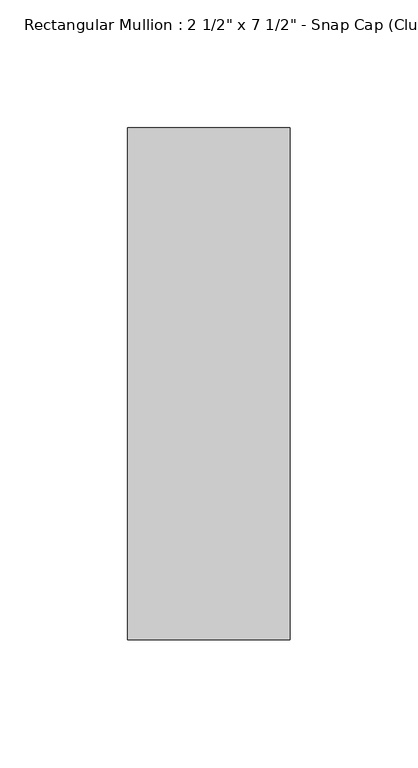
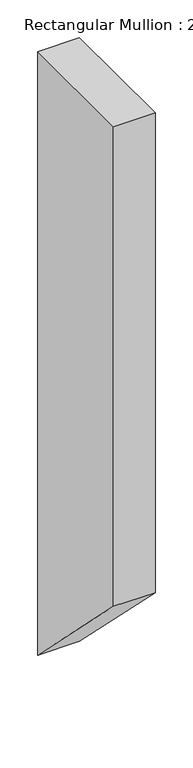
"""IFC4 building model written with IfcOpenShell, lengths in millimetres: member geometry."""

from ifc_helpers import new_model, si_unit, frame, origin, place, context, project, spatial, polyline, outline, extrude, source, transform, mapped, element, save


def member_2f89b74d(model_context):
    return source(origin(), model_context, "Body", "SweptSolid", [
        extrude(outline(polyline([(-174.2, 0.0), (25.8, 0.0), (25.8, -974.0701127), (-174.2, -774.0701127), (-174.2, 0.0)])), frame((-31.75, 0.0, 0.0), z_axis=(1.0, 0.0, 0.0), x_axis=(0.0, 1.0, 0.0)), (0.0, 0.0, 1.0), 63.5),
    ])


if __name__ == "__main__":
    model = new_model("IFC4")
    model_context = context("Model", 3, world=origin())
    ifc_project = project(units=[si_unit("LENGTHUNIT", "METRE", prefix="MILLI")], contexts=[model_context])
    site = spatial("IfcSite", under=ifc_project)
    building = spatial("IfcBuilding", under=site)
    placement = place(None, origin())
    member_shape = member_2f89b74d(model_context)
    element("IfcMember", 1, ObjectType="Rectangular Mullion : 2 1/2\" x 7 1/2\" - Snap Cap (Club)", at=placement, inside=building, context=model_context, shape_type="MappedRepresentation", body=[
        mapped(member_shape, transform((0.0, 0.0, 0.0), x_axis=(1.0, 0.0, 0.0), y_axis=(0.0, 1.0, 0.0), z_axis=(0.0, 0.0, 1.0))),
    ])
    save(model, "model.ifc")
